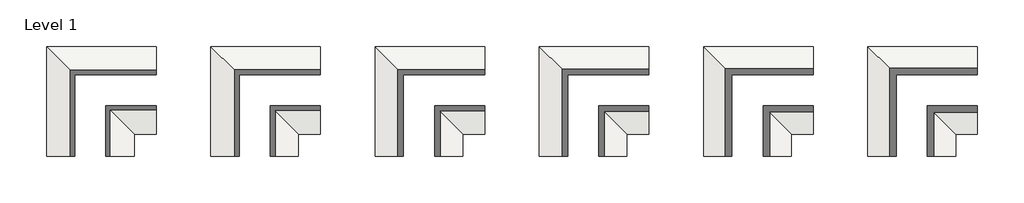
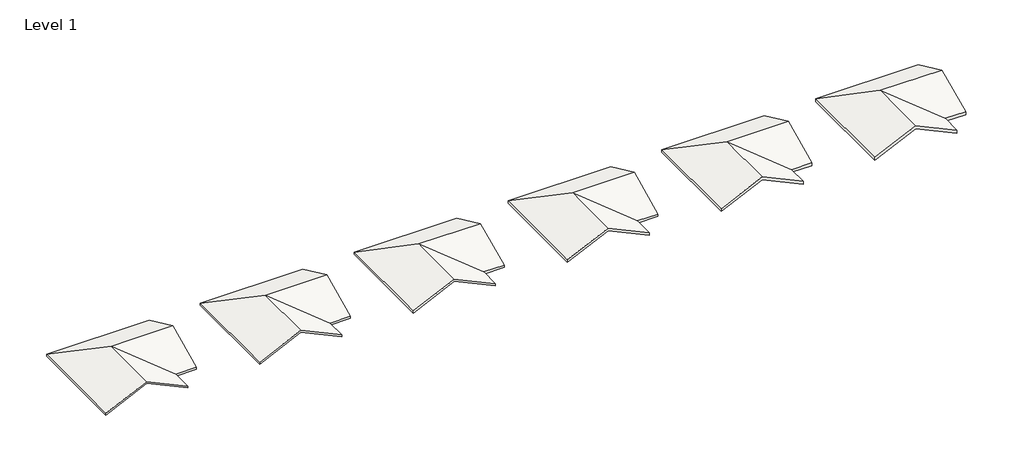
# One storey: 6 roofs.
"""IFC4 building model written with IfcOpenShell, lengths in millimetres."""

from ifc_helpers import new_model, si_unit, origin, place, context, project, spatial, faceted_brep, element, save

model = new_model("IFC4")

# Units and contexts
model_context = context("Model", 3, world=origin())
ifc_project = project(units=[si_unit("LENGTHUNIT", "METRE", prefix="MILLI")], contexts=[model_context])

# Site, building, storey
site = spatial("IfcSite", under=ifc_project)
building = spatial("IfcBuilding", under=site)
storey = spatial("IfcBuildingStorey", under=building, Name="Level 1", Elevation=0.0)

# Roofs
placement = place(None, origin())
element("IfcRoof", 1, at=placement, inside=storey, context=model_context, shape_type="Brep", body=[
    faceted_brep([(6858.7443286, -4899.2672884, 1865.2306326), (2858.7443286, -4899.2672884, 0.0), (2858.7443286, 5100.7327116, 0.0), (6858.7443286, 1100.7327116, 1865.2306326), (10858.7443286, -2899.2672884, 0.0), (10858.7443286, -4899.2672884, 0.0), (12858.7443286, -2899.2672884, 0.0), (12858.7443286, 1100.7327116, 1865.2306326), (12858.7443286, 5100.7327116, 0.0), (2858.7443286, -4899.2672884, 254.8802993), (6858.7443286, -4899.2672884, 2120.1109319), (6858.7443286, 1100.7327116, 2120.1109319), (2858.7443286, 5100.7327116, 254.8802993), (10858.7443286, -4899.2672884, 254.8802993), (10858.7443286, -2899.2672884, 254.8802993), (12858.7443286, -2899.2672884, 254.8802993), (12858.7443286, 1100.7327116, 2120.1109319), (12858.7443286, 5100.7327116, 254.8802993)], [[[0, 1, 2, 3]], [[4, 5, 0, 3]], [[6, 4, 3, 7]], [[8, 7, 3, 2]], [[9, 10, 11, 12]], [[13, 14, 11, 10]], [[14, 15, 16, 11]], [[17, 12, 11, 16]], [[4, 14, 13, 5]], [[6, 15, 14, 4]], [[2, 12, 17, 8]], [[1, 9, 12, 2]], [[13, 10, 9, 1, 0, 5]], [[17, 16, 15, 6, 7, 8]]]),
])
element("IfcRoof", 2, at=placement, inside=storey, context=model_context, shape_type="Brep", body=[
    faceted_brep([(-8141.2556714, -4899.2672884, 1865.2306326), (-12141.2556714, -4899.2672884, 0.0), (-12141.2556714, 5100.7327116, 0.0), (-8141.2556714, 1100.7327116, 1865.2306326), (-4141.2556714, -2899.2672884, 0.0), (-4141.2556714, -4899.2672884, 0.0), (-2141.2556714, -2899.2672884, 0.0), (-2141.2556714, 1100.7327116, 1865.2306326), (-2141.2556714, 5100.7327116, 0.0), (-12141.2556714, -4899.2672884, 232.8127409), (-8141.2556714, -4899.2672884, 2098.0433735), (-8141.2556714, 1100.7327116, 2098.0433735), (-12141.2556714, 5100.7327116, 232.8127409), (-4141.2556714, -4899.2672884, 232.8127409), (-4141.2556714, -2899.2672884, 232.8127409), (-2141.2556714, -2899.2672884, 232.8127409), (-2141.2556714, 1100.7327116, 2098.0433735), (-2141.2556714, 5100.7327116, 232.8127409)], [[[0, 1, 2, 3]], [[4, 5, 0, 3]], [[6, 4, 3, 7]], [[8, 7, 3, 2]], [[9, 10, 11, 12]], [[13, 14, 11, 10]], [[14, 15, 16, 11]], [[17, 12, 11, 16]], [[4, 14, 13, 5]], [[6, 15, 14, 4]], [[2, 12, 17, 8]], [[1, 9, 12, 2]], [[13, 10, 9, 1, 0, 5]], [[17, 16, 15, 6, 7, 8]]]),
])
element("IfcRoof", 3, at=placement, inside=storey, context=model_context, shape_type="Brep", body=[
    faceted_brep([(-23141.2556714, -4899.2672884, 1865.2306326), (-27141.2556714, -4899.2672884, 0.0), (-27141.2556714, 5100.7327116, 0.0), (-23141.2556714, 1100.7327116, 1865.2306326), (-19141.2556714, -2899.2672884, 0.0), (-19141.2556714, -4899.2672884, 0.0), (-17141.2556714, -2899.2672884, 0.0), (-17141.2556714, 1100.7327116, 1865.2306326), (-17141.2556714, 5100.7327116, 0.0), (-27141.2556714, -4899.2672884, 210.7451825), (-23141.2556714, -4899.2672884, 2075.9758151), (-23141.2556714, 1100.7327116, 2075.9758151), (-27141.2556714, 5100.7327116, 210.7451825), (-19141.2556714, -4899.2672884, 210.7451825), (-19141.2556714, -2899.2672884, 210.7451825), (-17141.2556714, -2899.2672884, 210.7451825), (-17141.2556714, 1100.7327116, 2075.9758151), (-17141.2556714, 5100.7327116, 210.7451825)], [[[0, 1, 2, 3]], [[4, 5, 0, 3]], [[6, 4, 3, 7]], [[8, 7, 3, 2]], [[9, 10, 11, 12]], [[13, 14, 11, 10]], [[14, 15, 16, 11]], [[17, 12, 11, 16]], [[4, 14, 13, 5]], [[6, 15, 14, 4]], [[2, 12, 17, 8]], [[1, 9, 12, 2]], [[13, 10, 9, 1, 0, 5]], [[17, 16, 15, 6, 7, 8]]]),
])
element("IfcRoof", 4, at=placement, inside=storey, context=model_context, shape_type="Brep", body=[
    faceted_brep([(-38141.2556714, -4899.2672884, 1865.2306326), (-42141.2556714, -4899.2672884, 0.0), (-42141.2556714, 5100.7327116, 0.0), (-38141.2556714, 1100.7327116, 1865.2306326), (-34141.2556714, -2899.2672884, 0.0), (-34141.2556714, -4899.2672884, 0.0), (-32141.2556714, -2899.2672884, 0.0), (-32141.2556714, 1100.7327116, 1865.2306326), (-32141.2556714, 5100.7327116, 0.0), (-42141.2556714, -4899.2672884, 188.6776241), (-38141.2556714, -4899.2672884, 2053.9082568), (-38141.2556714, 1100.7327116, 2053.9082568), (-42141.2556714, 5100.7327116, 188.6776241), (-34141.2556714, -4899.2672884, 188.6776241), (-34141.2556714, -2899.2672884, 188.6776241), (-32141.2556714, -2899.2672884, 188.6776241), (-32141.2556714, 1100.7327116, 2053.9082568), (-32141.2556714, 5100.7327116, 188.6776241)], [[[0, 1, 2, 3]], [[4, 5, 0, 3]], [[6, 4, 3, 7]], [[8, 7, 3, 2]], [[9, 10, 11, 12]], [[13, 14, 11, 10]], [[14, 15, 16, 11]], [[17, 12, 11, 16]], [[4, 14, 13, 5]], [[6, 15, 14, 4]], [[2, 12, 17, 8]], [[1, 9, 12, 2]], [[13, 10, 9, 1, 0, 5]], [[17, 16, 15, 6, 7, 8]]]),
])
element("IfcRoof", 5, at=placement, inside=storey, context=model_context, shape_type="Brep", body=[
    faceted_brep([(36858.7443286, -4899.2672884, 1865.2306326), (32858.7443286, -4899.2672884, 0.0), (32858.7443286, 5100.7327116, 0.0), (36858.7443286, 1100.7327116, 1865.2306326), (40858.7443286, -2899.2672884, 0.0), (40858.7443286, -4899.2672884, 0.0), (42858.7443286, -2899.2672884, 0.0), (42858.7443286, 1100.7327116, 1865.2306326), (42858.7443286, 5100.7327116, 0.0), (32858.7443286, -4899.2672884, 299.015416), (36858.7443286, -4899.2672884, 2164.2460487), (36858.7443286, 1100.7327116, 2164.2460487), (32858.7443286, 5100.7327116, 299.015416), (40858.7443286, -4899.2672884, 299.015416), (40858.7443286, -2899.2672884, 299.015416), (42858.7443286, -2899.2672884, 299.015416), (42858.7443286, 1100.7327116, 2164.2460487), (42858.7443286, 5100.7327116, 299.015416)], [[[0, 1, 2, 3]], [[4, 5, 0, 3]], [[6, 4, 3, 7]], [[8, 7, 3, 2]], [[9, 10, 11, 12]], [[13, 14, 11, 10]], [[14, 15, 16, 11]], [[17, 12, 11, 16]], [[4, 14, 13, 5]], [[6, 15, 14, 4]], [[2, 12, 17, 8]], [[1, 9, 12, 2]], [[13, 10, 9, 1, 0, 5]], [[17, 16, 15, 6, 7, 8]]]),
])
element("IfcRoof", 6, at=placement, inside=storey, context=model_context, shape_type="Brep", body=[
    faceted_brep([(21858.7443286, -4899.2672884, 1865.2306326), (17858.7443286, -4899.2672884, 0.0), (17858.7443286, 5100.7327116, 0.0), (21858.7443286, 1100.7327116, 1865.2306326), (25858.7443286, -2899.2672884, 0.0), (25858.7443286, -4899.2672884, 0.0), (27858.7443286, -2899.2672884, 0.0), (27858.7443286, 1100.7327116, 1865.2306326), (27858.7443286, 5100.7327116, 0.0), (17858.7443286, -4899.2672884, 276.9478577), (21858.7443286, -4899.2672884, 2142.1784903), (21858.7443286, 1100.7327116, 2142.1784903), (17858.7443286, 5100.7327116, 276.9478577), (25858.7443286, -4899.2672884, 276.9478577), (25858.7443286, -2899.2672884, 276.9478577), (27858.7443286, -2899.2672884, 276.9478577), (27858.7443286, 1100.7327116, 2142.1784903), (27858.7443286, 5100.7327116, 276.9478577)], [[[0, 1, 2, 3]], [[4, 5, 0, 3]], [[6, 4, 3, 7]], [[8, 7, 3, 2]], [[9, 10, 11, 12]], [[13, 14, 11, 10]], [[14, 15, 16, 11]], [[17, 12, 11, 16]], [[4, 14, 13, 5]], [[6, 15, 14, 4]], [[2, 12, 17, 8]], [[1, 9, 12, 2]], [[13, 10, 9, 1, 0, 5]], [[17, 16, 15, 6, 7, 8]]]),
])

save(model, "model.ifc")
